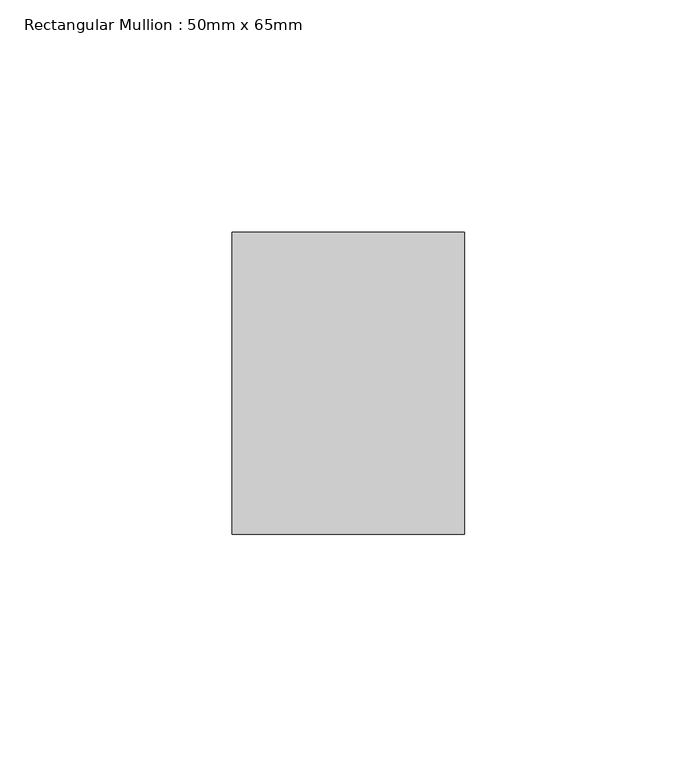
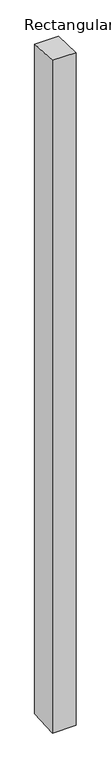
"""IFC4 building model written with IfcOpenShell, lengths in millimetres: member geometry, Rectangular Mullion : 50mm x 65mm."""

from ifc_helpers import new_model, si_unit, origin, place, context, project, spatial, faceted_brep, source, transform, mapped, element, save


def rectangular_mullion_50mm_x_65mm_7592bf59(model_context):
    return source(origin(), model_context, "Body", "Brep", [
        faceted_brep([(-25.0, 32.5, -1.4676714), (25.0, 32.5, -1.4676795), (25.0, 32.5, -1498.1020645), (-25.0, 32.5, -1498.102075), (-25.0, -32.5, 1.4676795), (-25.0, -32.5, -1501.8978189), (25.0, -32.5, 1.4676714), (25.0, -32.5, -1501.8978085)], [[[0, 1, 2, 3]], [[4, 0, 3, 5]], [[6, 4, 5, 7]], [[1, 6, 7, 2]], [[1, 0, 4, 6]], [[2, 7, 5, 3]]]),
    ])


if __name__ == "__main__":
    model = new_model("IFC4")
    model_context = context("Model", 3, world=origin())
    ifc_project = project(units=[si_unit("LENGTHUNIT", "METRE", prefix="MILLI")], contexts=[model_context])
    site = spatial("IfcSite", under=ifc_project)
    building = spatial("IfcBuilding", under=site)
    placement = place(None, origin())
    rectangular_mullion_50mm_x_65mm_shape = rectangular_mullion_50mm_x_65mm_7592bf59(model_context)
    element("IfcMember", 1, ObjectType="Rectangular Mullion : 50mm x 65mm", at=placement, inside=building, context=model_context, shape_type="MappedRepresentation", body=[
        mapped(rectangular_mullion_50mm_x_65mm_shape, transform((0.0, 0.0, 0.0), x_axis=(1.0, 0.0, 0.0), y_axis=(0.0, 1.0, 0.0), z_axis=(0.0, 0.0, 1.0))),
    ])
    save(model, "model.ifc")
